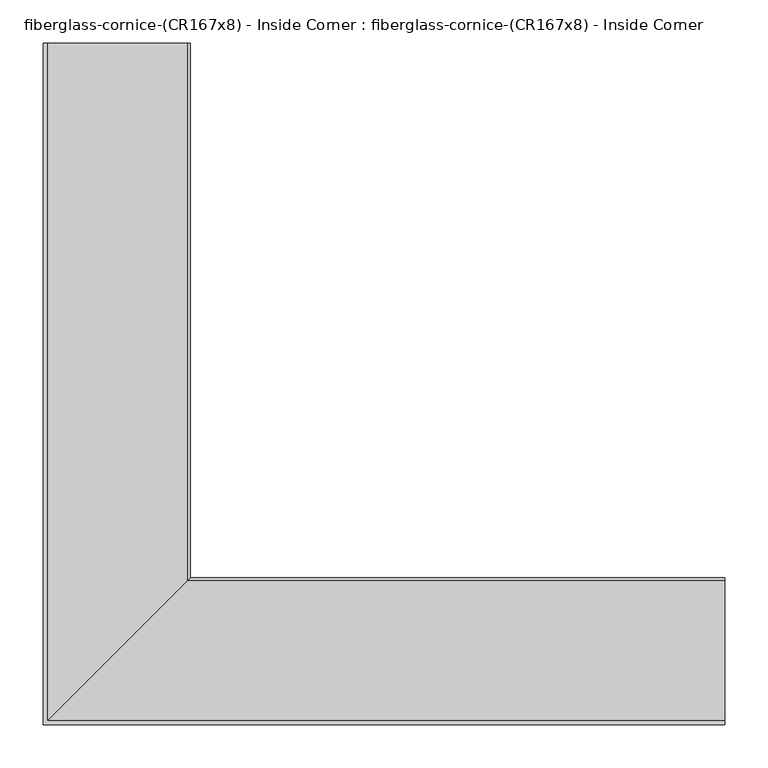
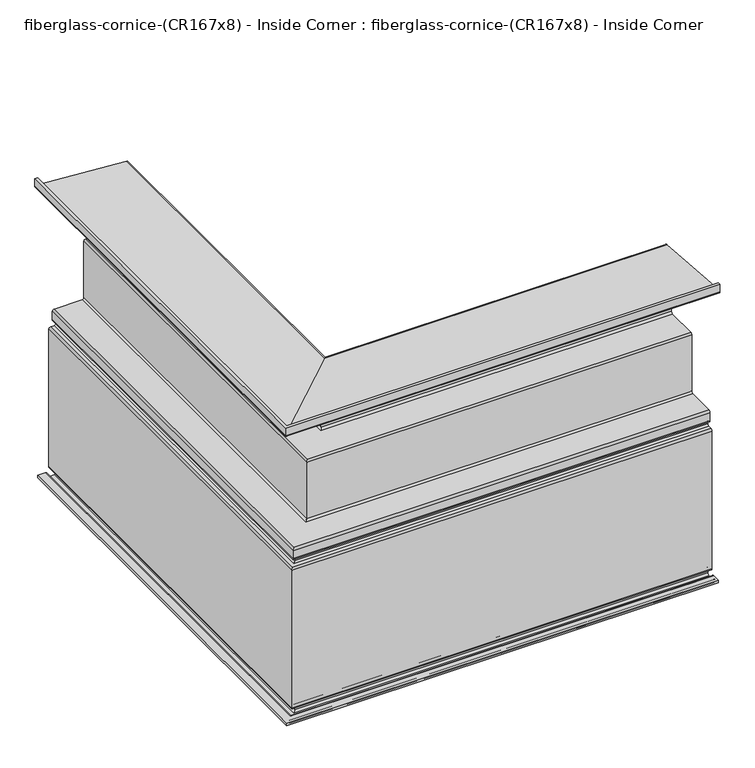
"""IFC4 building model written with IfcOpenShell, lengths in millimetres: furniture geometry, fiberglass-cornice-(CR167x8) - Inside Corner : fiberglass-cornice-(CR167x8) - Inside Corner."""

from ifc_helpers import new_model, si_unit, frame, origin, place, context, project, spatial, polyline, circle_curve, ellipse_curve, source, transform, mapped, element, save
from ifc_brep_helpers import plane_surface, cylinder_surface, revolved_surface, advanced_brep


def fiberglass_cornice_cr167x8_inside_corner_fiberglass_cornice_77613da7(model_context):
    return source(origin(), model_context, "Body", "AdvancedBrep", [
        advanced_brep(
        [(-227.0226584, 888.603125, 305.0420092), (-223.8374938, 888.603125, 301.8568447), (-223.8374938, 888.603125, 295.2749904), (-227.0124938, 888.603125, 292.0999904), (-233.3624938, 888.603125, 292.0999904), (-236.5374938, 888.603125, 288.9249904), (-236.5374938, 888.603125, 180.9749904), (-239.7124938, 888.603125, 177.7999904), (-296.8624938, 888.603125, 177.7999904), (-300.0374938, 888.603125, 174.6249904), (-300.0374938, 888.603125, 66.6749904), (-303.2124938, 888.603125, 63.4999904), (-354.0124938, 888.603125, 63.4999904), (-357.1874938, 888.603125, 60.3249904), (-357.1874938, 888.603125, 50.7999904), (-354.0124938, 888.603125, 50.7999904), (-350.8374938, 888.603125, 47.6249904), (-350.8374938, 888.603125, 34.9249904), (-354.0124938, 888.603125, 31.7499904), (-360.3624938, 888.603125, 31.7499904), (-363.5374938, 888.603125, 28.5749904), (-363.5374938, 888.603125, -225.6790096), (-360.3624938, 888.603125, -228.8540096), (-354.0124938, 888.603125, -228.8540096), (-350.8374938, 888.603125, -232.0290096), (-350.8374938, 888.603125, -250.8250096), (-354.0124938, 888.603125, -254.0000096), (-373.0624938, 888.603125, -254.0000096), (-376.2374938, 888.603125, -250.8250096), (-376.2374938, 888.603125, -247.6500096), (-379.4124938, 888.603125, -244.4750096), (-388.9374938, 888.603125, -244.4750096), (-388.9374938, 888.603125, -239.7125096), (-374.6499938, 888.603125, -239.7125096), (-371.4749938, 888.603125, -242.8875096), (-371.4749938, 888.603125, -246.0625096), (-368.2999938, 888.603125, -249.2375096), (-358.7749938, 888.603125, -249.2375096), (-355.5999938, 888.603125, -246.0625096), (-355.5999938, 888.603125, -236.5375096), (-358.5209938, 888.603125, -233.6165096), (-365.1249938, 888.603125, -233.6165096), (-368.2999938, 888.603125, -230.4415096), (-368.2999938, 888.603125, 33.3374904), (-365.1249938, 888.603125, 36.5124904), (-358.7749938, 888.603125, 36.5124904), (-355.5999938, 888.603125, 39.6874904), (-355.5999938, 888.603125, 42.8624904), (-358.7749938, 888.603125, 46.0374904), (-361.9499938, 888.603125, 49.2124904), (-361.9499938, 888.603125, 65.0874904), (-358.7749938, 888.603125, 68.2624904), (-307.9749938, 888.603125, 68.2624904), (-304.7999938, 888.603125, 71.4374904), (-304.7999938, 888.603125, 179.3874904), (-301.6249938, 888.603125, 182.5624904), (-244.4749938, 888.603125, 182.5624904), (-241.2999938, 888.603125, 185.7374904), (-241.2999938, 888.603125, 293.6874904), (-238.1249938, 888.603125, 296.8624904), (-228.5999938, 888.603125, 296.8624904), (-228.5999938, 888.603125, 300.3884709), (-390.7652894, 888.603125, 312.865723), (-393.6999938, 888.603125, 315.8004274), (-393.6999938, 888.603125, 330.1999904), (-388.9374938, 888.603125, 330.1999904), (-388.9374938, 888.603125, 317.4999904), (393.6999938, 267.8804605, 305.0420092), (393.6999938, 105.965625, 317.4999904), (393.6999938, 105.965625, 330.1999904), (393.6999938, 101.203125, 330.1999904), (393.6999938, 101.203125, 315.8004274), (393.6999938, 104.1378295, 312.865723), (393.6999938, 266.303125, 300.3884709), (393.6999938, 266.303125, 296.8624904), (393.6999938, 256.778125, 296.8624904), (393.6999938, 253.603125, 293.6874904), (393.6999938, 253.603125, 185.7374904), (393.6999938, 250.428125, 182.5624904), (393.6999938, 193.278125, 182.5624904), (393.6999938, 190.103125, 179.3874904), (393.6999938, 190.103125, 71.4374904), (393.6999938, 186.928125, 68.2624904), (393.6999938, 136.128125, 68.2624904), (393.6999938, 132.953125, 65.0874904), (393.6999938, 132.953125, 49.2124904), (393.6999938, 136.128125, 46.0374904), (393.6999938, 139.303125, 42.8624904), (393.6999938, 139.303125, 39.6874904), (393.6999938, 136.128125, 36.5124904), (393.6999938, 129.778125, 36.5124904), (393.6999938, 126.603125, 33.3374904), (393.6999938, 126.603125, -230.4415096), (393.6999938, 129.778125, -233.6165096), (393.6999938, 136.382125, -233.6165096), (393.6999938, 139.303125, -236.5375096), (393.6999938, 139.303125, -246.0625096), (393.6999938, 136.128125, -249.2375096), (393.6999938, 126.603125, -249.2375096), (393.6999938, 123.428125, -246.0625096), (393.6999938, 123.428125, -242.8875096), (393.6999938, 120.253125, -239.7125096), (393.6999938, 105.965625, -239.7125096), (393.6999938, 105.965625, -244.4750096), (393.6999938, 115.490625, -244.4750096), (393.6999938, 118.665625, -247.6500096), (393.6999938, 118.665625, -250.8250096), (393.6999938, 121.840625, -254.0000096), (393.6999938, 140.890625, -254.0000096), (393.6999938, 144.065625, -250.8250096), (393.6999938, 144.065625, -232.0290096), (393.6999938, 140.890625, -228.8540096), (393.6999938, 134.540625, -228.8540096), (393.6999938, 131.365625, -225.6790096), (393.6999938, 131.365625, 28.5749904), (393.6999938, 134.540625, 31.7499904), (393.6999938, 140.890625, 31.7499904), (393.6999938, 144.065625, 34.9249904), (393.6999938, 144.065625, 47.6249904), (393.6999938, 140.890625, 50.7999904), (393.6999938, 137.715625, 50.7999904), (393.6999938, 137.715625, 60.3249904), (393.6999938, 140.890625, 63.4999904), (393.6999938, 191.690625, 63.4999904), (393.6999938, 194.865625, 66.6749904), (393.6999938, 194.865625, 174.6249904), (393.6999938, 198.040625, 177.7999904), (393.6999938, 255.190625, 177.7999904), (393.6999938, 258.365625, 180.9749904), (393.6999938, 258.365625, 288.9249904), (393.6999938, 261.540625, 292.0999904), (393.6999938, 267.890625, 292.0999904), (393.6999938, 271.065625, 295.2749904), (393.6999938, 271.065625, 301.8568447), (-227.0226584, 267.8804605, 305.0420092), (-223.8374938, 271.065625, 301.8568447), (-223.8374938, 271.065625, 295.2749904), (-227.0124938, 267.890625, 292.0999904), (-233.3624938, 261.540625, 292.0999904), (-236.5374938, 258.365625, 288.9249904), (-236.5374938, 258.365625, 180.9749904), (-239.7124938, 255.190625, 177.7999904), (-296.8624938, 198.040625, 177.7999904), (-300.0374938, 194.865625, 174.6249904), (-300.0374938, 194.865625, 66.6749904), (-303.2124938, 191.690625, 63.4999904), (-354.0124938, 140.890625, 63.4999904), (-357.1874938, 137.715625, 60.3249904), (-357.1874938, 137.715625, 50.7999904), (-354.0124938, 140.890625, 50.7999904), (-350.8374938, 144.065625, 47.6249904), (-350.8374938, 144.065625, 34.9249904), (-354.0124938, 140.890625, 31.7499904), (-360.3624938, 134.540625, 31.7499904), (-363.5374938, 131.365625, 28.5749904), (-363.5374938, 131.365625, -225.6790096), (-360.3624938, 134.540625, -228.8540096), (-354.0124938, 140.890625, -228.8540096), (-350.8374938, 144.065625, -232.0290096), (-350.8374938, 144.065625, -250.8250096), (-354.0124938, 140.890625, -254.0000096), (-373.0624938, 121.840625, -254.0000096), (-376.2374938, 118.665625, -250.8250096), (-376.2374938, 118.665625, -247.6500096), (-379.4124938, 115.490625, -244.4750096), (-388.9374938, 105.965625, -244.4750096), (-388.9374938, 105.965625, -239.7125096), (-374.6499938, 120.253125, -239.7125096), (-371.4749938, 123.428125, -242.8875096), (-371.4749938, 123.428125, -246.0625096), (-368.2999938, 126.603125, -249.2375096), (-358.7749938, 136.128125, -249.2375096), (-355.5999938, 139.303125, -246.0625096), (-355.5999938, 139.303125, -236.5375096), (-358.5209938, 136.382125, -233.6165096), (-365.1249938, 129.778125, -233.6165096), (-368.2999938, 126.603125, -230.4415096), (-368.2999938, 126.603125, 33.3374904), (-365.1249938, 129.778125, 36.5124904), (-358.7749938, 136.128125, 36.5124904), (-355.5999938, 139.303125, 39.6874904), (-355.5999938, 139.303125, 42.8624904), (-358.7749938, 136.128125, 46.0374904), (-361.9499938, 132.953125, 49.2124904), (-361.9499938, 132.953125, 65.0874904), (-358.7749938, 136.128125, 68.2624904), (-307.9749938, 186.928125, 68.2624904), (-304.7999938, 190.103125, 71.4374904), (-304.7999938, 190.103125, 179.3874904), (-301.6249938, 193.278125, 182.5624904), (-244.4749938, 250.428125, 182.5624904), (-241.2999938, 253.603125, 185.7374904), (-241.2999938, 253.603125, 293.6874904), (-238.1249938, 256.778125, 296.8624904), (-228.5999938, 266.303125, 296.8624904), (-228.5999938, 266.303125, 300.3884709), (-390.7652894, 104.1378295, 312.865723), (-393.6999938, 101.203125, 315.8004274), (-393.6999938, 101.203125, 330.1999904), (-388.9374938, 105.965625, 330.1999904), (-388.9374938, 105.965625, 317.4999904)],
        [
            (0, 1, circle_curve(frame((-227.0226584, 888.603125, 301.8568447), z_axis=(0.0, 1.0, 0.0), x_axis=(1.0, 0.0, 0.0)), 3.1851645)),
            (1, 2),
            (2, 3, circle_curve(frame((-227.0124938, 888.603125, 295.2749904), z_axis=(0.0, 1.0, 0.0), x_axis=(1.0, 0.0, 0.0)), 3.175)),
            (3, 4),
            (4, 5, circle_curve(frame((-233.3624938, 888.603125, 288.9249904), z_axis=(0.0, -1.0, 0.0), x_axis=(1.0, 0.0, 0.0)), 3.175)),
            (5, 6),
            (6, 7, circle_curve(frame((-239.7124938, 888.603125, 180.9749904), z_axis=(0.0, 1.0, 0.0), x_axis=(1.0, 0.0, 0.0)), 3.175)),
            (7, 8),
            (8, 9, circle_curve(frame((-296.8624938, 888.603125, 174.6249904), z_axis=(0.0, -1.0, 0.0), x_axis=(1.0, 0.0, 0.0)), 3.175)),
            (9, 10),
            (10, 11, circle_curve(frame((-303.2124938, 888.603125, 66.6749904), z_axis=(0.0, 1.0, 0.0), x_axis=(1.0, 0.0, 0.0)), 3.175)),
            (11, 12),
            (12, 13, circle_curve(frame((-354.0124938, 888.603125, 60.3249904), z_axis=(0.0, -1.0, 0.0), x_axis=(1.0, 0.0, 0.0)), 3.175)),
            (13, 14),
            (14, 15),
            (15, 16, circle_curve(frame((-354.0124938, 888.603125, 47.6249904), z_axis=(0.0, 1.0, 0.0), x_axis=(1.0, 0.0, 0.0)), 3.175)),
            (16, 17),
            (17, 18, circle_curve(frame((-354.0124938, 888.603125, 34.9249904), z_axis=(0.0, 1.0, 0.0), x_axis=(1.0, 0.0, 0.0)), 3.175)),
            (18, 19),
            (19, 20, circle_curve(frame((-360.3624938, 888.603125, 28.5749904), z_axis=(0.0, -1.0, 0.0), x_axis=(1.0, 0.0, 0.0)), 3.175)),
            (20, 21),
            (21, 22, circle_curve(frame((-360.3624938, 888.603125, -225.6790096), z_axis=(0.0, -1.0, 0.0), x_axis=(1.0, 0.0, 0.0)), 3.175)),
            (22, 23),
            (23, 24, circle_curve(frame((-354.0124938, 888.603125, -232.0290096), z_axis=(0.0, 1.0, 0.0), x_axis=(1.0, 0.0, 0.0)), 3.175)),
            (24, 25),
            (25, 26, circle_curve(frame((-354.0124938, 888.603125, -250.8250096), z_axis=(0.0, 1.0, 0.0), x_axis=(1.0, 0.0, 0.0)), 3.175)),
            (26, 27),
            (27, 28, circle_curve(frame((-373.0624938, 888.603125, -250.8250096), z_axis=(0.0, 1.0, 0.0), x_axis=(1.0, 0.0, 0.0)), 3.175)),
            (28, 29),
            (29, 30, circle_curve(frame((-379.4124938, 888.603125, -247.6500096), z_axis=(0.0, -1.0, 0.0), x_axis=(1.0, 0.0, 0.0)), 3.175)),
            (30, 31),
            (31, 32),
            (32, 33),
            (33, 34, circle_curve(frame((-374.6499938, 888.603125, -242.8875096), z_axis=(0.0, 1.0, 0.0), x_axis=(1.0, 0.0, 0.0)), 3.175)),
            (34, 35),
            (35, 36, circle_curve(frame((-368.2999938, 888.603125, -246.0625096), z_axis=(0.0, -1.0, 0.0), x_axis=(1.0, 0.0, 0.0)), 3.175)),
            (36, 37),
            (37, 38, circle_curve(frame((-358.7749938, 888.603125, -246.0625096), z_axis=(0.0, -1.0, 0.0), x_axis=(1.0, 0.0, 0.0)), 3.175)),
            (38, 39),
            (39, 40, circle_curve(frame((-358.5209938, 888.603125, -236.5375096), z_axis=(0.0, -1.0, 0.0), x_axis=(1.0, 0.0, 0.0)), 2.921)),
            (40, 41),
            (41, 42, circle_curve(frame((-365.1249938, 888.603125, -230.4415096), z_axis=(0.0, 1.0, 0.0), x_axis=(1.0, 0.0, 0.0)), 3.175)),
            (42, 43),
            (43, 44, circle_curve(frame((-365.1249938, 888.603125, 33.3374904), z_axis=(0.0, 1.0, 0.0), x_axis=(1.0, 0.0, 0.0)), 3.175)),
            (44, 45),
            (45, 46, circle_curve(frame((-358.7749938, 888.603125, 39.6874904), z_axis=(0.0, -1.0, 0.0), x_axis=(1.0, 0.0, 0.0)), 3.175)),
            (46, 47),
            (47, 48, circle_curve(frame((-358.7749938, 888.603125, 42.8624904), z_axis=(0.0, -1.0, 0.0), x_axis=(1.0, 0.0, 0.0)), 3.175)),
            (48, 49, circle_curve(frame((-358.7749938, 888.603125, 49.2124904), z_axis=(0.0, 1.0, 0.0), x_axis=(1.0, 0.0, 0.0)), 3.175)),
            (49, 50),
            (50, 51, circle_curve(frame((-358.7749938, 888.603125, 65.0874904), z_axis=(0.0, 1.0, 0.0), x_axis=(1.0, 0.0, 0.0)), 3.175)),
            (51, 52),
            (52, 53, circle_curve(frame((-307.9749938, 888.603125, 71.4374904), z_axis=(0.0, -1.0, 0.0), x_axis=(1.0, 0.0, 0.0)), 3.175)),
            (53, 54),
            (54, 55, circle_curve(frame((-301.6249938, 888.603125, 179.3874904), z_axis=(0.0, 1.0, 0.0), x_axis=(1.0, 0.0, 0.0)), 3.175)),
            (55, 56),
            (56, 57, circle_curve(frame((-244.4749938, 888.603125, 185.7374904), z_axis=(0.0, -1.0, 0.0), x_axis=(1.0, 0.0, 0.0)), 3.175)),
            (57, 58),
            (58, 59, circle_curve(frame((-238.1249938, 888.603125, 293.6874904), z_axis=(0.0, 1.0, 0.0), x_axis=(1.0, 0.0, 0.0)), 3.175)),
            (59, 60),
            (60, 61),
            (61, 62),
            (62, 63, circle_curve(frame((-390.7652894, 888.603125, 315.8004274), z_axis=(0.0, 1.0, 0.0), x_axis=(1.0, 0.0, 0.0)), 2.9347045)),
            (63, 64),
            (64, 65),
            (65, 66),
            (66, 0),
            (67, 68),
            (68, 69),
            (69, 70),
            (70, 71),
            (71, 72, circle_curve(frame((393.6999938, 104.1378295, 315.8004274), z_axis=(1.0, 0.0, 0.0), x_axis=(0.0, 1.0, 0.0)), 2.9347045)),
            (72, 73),
            (73, 74),
            (74, 75),
            (75, 76, circle_curve(frame((393.6999938, 256.778125, 293.6874904), z_axis=(1.0, 0.0, 0.0), x_axis=(0.0, 1.0, 0.0)), 3.175)),
            (76, 77),
            (77, 78, circle_curve(frame((393.6999938, 250.428125, 185.7374904), z_axis=(-1.0, 0.0, 0.0), x_axis=(0.0, 1.0, 0.0)), 3.175)),
            (78, 79),
            (79, 80, circle_curve(frame((393.6999938, 193.278125, 179.3874904), z_axis=(1.0, 0.0, 0.0), x_axis=(0.0, 1.0, 0.0)), 3.175)),
            (80, 81),
            (81, 82, circle_curve(frame((393.6999938, 186.928125, 71.4374904), z_axis=(-1.0, 0.0, 0.0), x_axis=(0.0, 1.0, 0.0)), 3.175)),
            (82, 83),
            (83, 84, circle_curve(frame((393.6999938, 136.128125, 65.0874904), z_axis=(1.0, 0.0, 0.0), x_axis=(0.0, 1.0, 0.0)), 3.175)),
            (84, 85),
            (85, 86, circle_curve(frame((393.6999938, 136.128125, 49.2124904), z_axis=(1.0, 0.0, 0.0), x_axis=(0.0, 1.0, 0.0)), 3.175)),
            (86, 87, circle_curve(frame((393.6999938, 136.128125, 42.8624904), z_axis=(-1.0, 0.0, 0.0), x_axis=(0.0, 1.0, 0.0)), 3.175)),
            (87, 88),
            (88, 89, circle_curve(frame((393.6999938, 136.128125, 39.6874904), z_axis=(-1.0, 0.0, 0.0), x_axis=(0.0, 1.0, 0.0)), 3.175)),
            (89, 90),
            (90, 91, circle_curve(frame((393.6999938, 129.778125, 33.3374904), z_axis=(1.0, 0.0, 0.0), x_axis=(0.0, 1.0, 0.0)), 3.175)),
            (91, 92),
            (92, 93, circle_curve(frame((393.6999938, 129.778125, -230.4415096), z_axis=(1.0, 0.0, 0.0), x_axis=(0.0, 1.0, 0.0)), 3.175)),
            (93, 94),
            (94, 95, circle_curve(frame((393.6999938, 136.382125, -236.5375096), z_axis=(-1.0, 0.0, 0.0), x_axis=(0.0, 1.0, 0.0)), 2.921)),
            (95, 96),
            (96, 97, circle_curve(frame((393.6999938, 136.128125, -246.0625096), z_axis=(-1.0, 0.0, 0.0), x_axis=(0.0, 1.0, 0.0)), 3.175)),
            (97, 98),
            (98, 99, circle_curve(frame((393.6999938, 126.603125, -246.0625096), z_axis=(-1.0, 0.0, 0.0), x_axis=(0.0, 1.0, 0.0)), 3.175)),
            (99, 100),
            (100, 101, circle_curve(frame((393.6999938, 120.253125, -242.8875096), z_axis=(1.0, 0.0, 0.0), x_axis=(0.0, 1.0, 0.0)), 3.175)),
            (101, 102),
            (102, 103),
            (103, 104),
            (104, 105, circle_curve(frame((393.6999938, 115.490625, -247.6500096), z_axis=(-1.0, 0.0, 0.0), x_axis=(0.0, 1.0, 0.0)), 3.175)),
            (105, 106),
            (106, 107, circle_curve(frame((393.6999938, 121.840625, -250.8250096), z_axis=(1.0, 0.0, 0.0), x_axis=(0.0, 1.0, 0.0)), 3.175)),
            (107, 108),
            (108, 109, circle_curve(frame((393.6999938, 140.890625, -250.8250096), z_axis=(1.0, 0.0, 0.0), x_axis=(0.0, 1.0, 0.0)), 3.175)),
            (109, 110),
            (110, 111, circle_curve(frame((393.6999938, 140.890625, -232.0290096), z_axis=(1.0, 0.0, 0.0), x_axis=(0.0, 1.0, 0.0)), 3.175)),
            (111, 112),
            (112, 113, circle_curve(frame((393.6999938, 134.540625, -225.6790096), z_axis=(-1.0, 0.0, 0.0), x_axis=(0.0, 1.0, 0.0)), 3.175)),
            (113, 114),
            (114, 115, circle_curve(frame((393.6999938, 134.540625, 28.5749904), z_axis=(-1.0, 0.0, 0.0), x_axis=(0.0, 1.0, 0.0)), 3.175)),
            (115, 116),
            (116, 117, circle_curve(frame((393.6999938, 140.890625, 34.9249904), z_axis=(1.0, 0.0, 0.0), x_axis=(0.0, 1.0, 0.0)), 3.175)),
            (117, 118),
            (118, 119, circle_curve(frame((393.6999938, 140.890625, 47.6249904), z_axis=(1.0, 0.0, 0.0), x_axis=(0.0, 1.0, 0.0)), 3.175)),
            (119, 120),
            (120, 121),
            (121, 122, circle_curve(frame((393.6999938, 140.890625, 60.3249904), z_axis=(-1.0, 0.0, 0.0), x_axis=(0.0, 1.0, 0.0)), 3.175)),
            (122, 123),
            (123, 124, circle_curve(frame((393.6999938, 191.690625, 66.6749904), z_axis=(1.0, 0.0, 0.0), x_axis=(0.0, 1.0, 0.0)), 3.175)),
            (124, 125),
            (125, 126, circle_curve(frame((393.6999938, 198.040625, 174.6249904), z_axis=(-1.0, 0.0, 0.0), x_axis=(0.0, 1.0, 0.0)), 3.175)),
            (126, 127),
            (127, 128, circle_curve(frame((393.6999938, 255.190625, 180.9749904), z_axis=(1.0, 0.0, 0.0), x_axis=(0.0, 1.0, 0.0)), 3.175)),
            (128, 129),
            (129, 130, circle_curve(frame((393.6999938, 261.540625, 288.9249904), z_axis=(-1.0, 0.0, 0.0), x_axis=(0.0, 1.0, 0.0)), 3.175)),
            (130, 131),
            (131, 132, circle_curve(frame((393.6999938, 267.890625, 295.2749904), z_axis=(1.0, 0.0, 0.0), x_axis=(0.0, 1.0, 0.0)), 3.175)),
            (132, 133),
            (133, 67, circle_curve(frame((393.6999938, 267.8804605, 301.8568447), z_axis=(1.0, 0.0, 0.0), x_axis=(0.0, 1.0, 0.0)), 3.1851645)),
            (0, 134),
            (134, 135, ellipse_curve(frame((-227.0226584, 267.8804605, 301.8568447), z_axis=(-0.7071067811865475, 0.7071067811865475, 0.0), x_axis=(0.7071067811865474, 0.7071067811865476, 0.0)), 4.5045028, 3.1851645)),
            (135, 1),
            (135, 136),
            (136, 2),
            (136, 137, ellipse_curve(frame((-227.0124938, 267.890625, 295.2749904), z_axis=(-0.7071067811865475, 0.7071067811865475, 0.0), x_axis=(0.7071067811865474, 0.7071067811865476, 0.0)), 4.4901281, 3.175)),
            (137, 3),
            (137, 131),
            (130, 138),
            (138, 4),
            (138, 139, ellipse_curve(frame((-233.3624938, 261.540625, 288.9249904), z_axis=(0.7071067811865475, -0.7071067811865475, 0.0), x_axis=(-0.7071067811865474, -0.7071067811865476, 0.0)), 4.4901281, 3.175)),
            (139, 5),
            (139, 140),
            (140, 6),
            (140, 141, ellipse_curve(frame((-239.7124938, 255.190625, 180.9749904), z_axis=(-0.7071067811865475, 0.7071067811865475, 0.0), x_axis=(0.7071067811865474, 0.7071067811865476, 0.0)), 4.4901281, 3.175)),
            (141, 7),
            (141, 127),
            (126, 142),
            (142, 8),
            (142, 143, ellipse_curve(frame((-296.8624938, 198.040625, 174.6249904), z_axis=(0.7071067811865475, -0.7071067811865475, 0.0), x_axis=(-0.7071067811865474, -0.7071067811865476, 0.0)), 4.4901281, 3.175)),
            (143, 9),
            (143, 144),
            (144, 10),
            (144, 145, ellipse_curve(frame((-303.2124938, 191.690625, 66.6749904), z_axis=(-0.7071067811865475, 0.7071067811865475, 0.0), x_axis=(0.7071067811865474, 0.7071067811865476, 0.0)), 4.4901281, 3.175)),
            (145, 11),
            (145, 123),
            (122, 146),
            (146, 12),
            (146, 147, ellipse_curve(frame((-354.0124938, 140.890625, 60.3249904), z_axis=(0.7071067811865475, -0.7071067811865475, 0.0), x_axis=(-0.7071067811865474, -0.7071067811865476, 0.0)), 4.4901281, 3.175)),
            (147, 13),
            (147, 148),
            (148, 14),
            (148, 120),
            (119, 149),
            (149, 15),
            (149, 150, ellipse_curve(frame((-354.0124938, 140.890625, 47.6249904), z_axis=(-0.7071067811865475, 0.7071067811865475, 0.0), x_axis=(0.7071067811865474, 0.7071067811865476, 0.0)), 4.4901281, 3.175)),
            (150, 16),
            (150, 151),
            (151, 17),
            (151, 152, ellipse_curve(frame((-354.0124938, 140.890625, 34.9249904), z_axis=(-0.7071067811865475, 0.7071067811865475, 0.0), x_axis=(0.7071067811865474, 0.7071067811865476, 0.0)), 4.4901281, 3.175)),
            (152, 18),
            (152, 116),
            (115, 153),
            (153, 19),
            (153, 154, ellipse_curve(frame((-360.3624938, 134.540625, 28.5749904), z_axis=(0.7071067811865475, -0.7071067811865475, 0.0), x_axis=(-0.7071067811865474, -0.7071067811865476, 0.0)), 4.4901281, 3.175)),
            (154, 20),
            (154, 155),
            (155, 21),
            (155, 156, ellipse_curve(frame((-360.3624938, 134.540625, -225.6790096), z_axis=(0.7071067811865475, -0.7071067811865475, 0.0), x_axis=(-0.7071067811865474, -0.7071067811865476, 0.0)), 4.4901281, 3.175)),
            (156, 22),
            (156, 112),
            (111, 157),
            (157, 23),
            (157, 158, ellipse_curve(frame((-354.0124938, 140.890625, -232.0290096), z_axis=(-0.7071067811865475, 0.7071067811865475, 0.0), x_axis=(0.7071067811865474, 0.7071067811865476, 0.0)), 4.4901281, 3.175)),
            (158, 24),
            (158, 159),
            (159, 25),
            (159, 160, ellipse_curve(frame((-354.0124938, 140.890625, -250.8250096), z_axis=(-0.7071067811865475, 0.7071067811865475, 0.0), x_axis=(0.7071067811865474, 0.7071067811865476, 0.0)), 4.4901281, 3.175)),
            (160, 26),
            (160, 108),
            (107, 161),
            (161, 27),
            (161, 162, ellipse_curve(frame((-373.0624938, 121.840625, -250.8250096), z_axis=(-0.7071067811865475, 0.7071067811865475, 0.0), x_axis=(0.7071067811865474, 0.7071067811865476, 0.0)), 4.4901281, 3.175)),
            (162, 28),
            (162, 163),
            (163, 29),
            (163, 164, ellipse_curve(frame((-379.4124938, 115.490625, -247.6500096), z_axis=(0.7071067811865475, -0.7071067811865475, 0.0), x_axis=(-0.7071067811865474, -0.7071067811865476, 0.0)), 4.4901281, 3.175)),
            (164, 30),
            (164, 104),
            (103, 165),
            (165, 31),
            (165, 166),
            (166, 32),
            (166, 102),
            (101, 167),
            (167, 33),
            (167, 168, ellipse_curve(frame((-374.6499938, 120.253125, -242.8875096), z_axis=(-0.7071067811865475, 0.7071067811865475, 0.0), x_axis=(0.7071067811865474, 0.7071067811865476, 0.0)), 4.4901281, 3.175)),
            (168, 34),
            (168, 169),
            (169, 35),
            (169, 170, ellipse_curve(frame((-368.2999938, 126.603125, -246.0625096), z_axis=(0.7071067811865475, -0.7071067811865475, 0.0), x_axis=(-0.7071067811865474, -0.7071067811865476, 0.0)), 4.4901281, 3.175)),
            (170, 36),
            (170, 98),
            (97, 171),
            (171, 37),
            (171, 172, ellipse_curve(frame((-358.7749938, 136.128125, -246.0625096), z_axis=(0.7071067811865475, -0.7071067811865475, 0.0), x_axis=(-0.7071067811865474, -0.7071067811865476, 0.0)), 4.4901281, 3.175)),
            (172, 38),
            (172, 173),
            (173, 39),
            (173, 174, ellipse_curve(frame((-358.5209938, 136.382125, -236.5375096), z_axis=(0.7071067811865475, -0.7071067811865475, 0.0), x_axis=(-0.7071067811865474, -0.7071067811865476, 0.0)), 4.1309178, 2.921)),
            (174, 40),
            (174, 94),
            (93, 175),
            (175, 41),
            (175, 176, ellipse_curve(frame((-365.1249938, 129.778125, -230.4415096), z_axis=(-0.7071067811865475, 0.7071067811865475, 0.0), x_axis=(0.7071067811865474, 0.7071067811865476, 0.0)), 4.4901281, 3.175)),
            (176, 42),
            (176, 177),
            (177, 43),
            (177, 178, ellipse_curve(frame((-365.1249938, 129.778125, 33.3374904), z_axis=(-0.7071067811865475, 0.7071067811865475, 0.0), x_axis=(0.7071067811865474, 0.7071067811865476, 0.0)), 4.4901281, 3.175)),
            (178, 44),
            (178, 90),
            (89, 179),
            (179, 45),
            (179, 180, ellipse_curve(frame((-358.7749938, 136.128125, 39.6874904), z_axis=(0.7071067811865475, -0.7071067811865475, 0.0), x_axis=(-0.7071067811865474, -0.7071067811865476, 0.0)), 4.4901281, 3.175)),
            (180, 46),
            (180, 181),
            (181, 47),
            (181, 182, ellipse_curve(frame((-358.7749938, 136.128125, 42.8624904), z_axis=(0.7071067811865475, -0.7071067811865475, 0.0), x_axis=(-0.7071067811865474, -0.7071067811865476, 0.0)), 4.4901281, 3.175)),
            (182, 48),
            (182, 183, ellipse_curve(frame((-358.7749938, 136.128125, 49.2124904), z_axis=(-0.7071067811865475, 0.7071067811865475, 0.0), x_axis=(0.7071067811865474, 0.7071067811865476, 0.0)), 4.4901281, 3.175)),
            (183, 49),
            (183, 184),
            (184, 50),
            (184, 185, ellipse_curve(frame((-358.7749938, 136.128125, 65.0874904), z_axis=(-0.7071067811865475, 0.7071067811865475, 0.0), x_axis=(0.7071067811865474, 0.7071067811865476, 0.0)), 4.4901281, 3.175)),
            (185, 51),
            (185, 83),
            (82, 186),
            (186, 52),
            (186, 187, ellipse_curve(frame((-307.9749938, 186.928125, 71.4374904), z_axis=(0.7071067811865475, -0.7071067811865475, 0.0), x_axis=(-0.7071067811865474, -0.7071067811865476, 0.0)), 4.4901281, 3.175)),
            (187, 53),
            (187, 188),
            (188, 54),
            (188, 189, ellipse_curve(frame((-301.6249938, 193.278125, 179.3874904), z_axis=(-0.7071067811865475, 0.7071067811865475, 0.0), x_axis=(0.7071067811865474, 0.7071067811865476, 0.0)), 4.4901281, 3.175)),
            (189, 55),
            (189, 79),
            (78, 190),
            (190, 56),
            (190, 191, ellipse_curve(frame((-244.4749938, 250.428125, 185.7374904), z_axis=(0.7071067811865475, -0.7071067811865475, 0.0), x_axis=(-0.7071067811865474, -0.7071067811865476, 0.0)), 4.4901281, 3.175)),
            (191, 57),
            (191, 192),
            (192, 58),
            (192, 193, ellipse_curve(frame((-238.1249938, 256.778125, 293.6874904), z_axis=(-0.7071067811865475, 0.7071067811865475, 0.0), x_axis=(0.7071067811865474, 0.7071067811865476, 0.0)), 4.4901281, 3.175)),
            (193, 59),
            (193, 75),
            (74, 194),
            (194, 60),
            (194, 195),
            (195, 61),
            (195, 196),
            (196, 62),
            (196, 197, ellipse_curve(frame((-390.7652894, 104.1378295, 315.8004274), z_axis=(-0.7071067811865475, 0.7071067811865475, 0.0), x_axis=(0.7071067811865474, 0.7071067811865476, 0.0)), 4.1502989, 2.9347045)),
            (197, 63),
            (197, 198),
            (198, 64),
            (198, 70),
            (69, 199),
            (199, 65),
            (199, 200),
            (200, 66),
            (200, 134),
            (134, 67),
            (133, 135),
            (136, 132),
            (129, 139),
            (140, 128),
            (125, 143),
            (144, 124),
            (147, 121),
            (118, 150),
            (151, 117),
            (114, 154),
            (155, 113),
            (110, 158),
            (159, 109),
            (106, 162),
            (163, 105),
            (100, 168),
            (169, 99),
            (96, 172),
            (173, 95),
            (92, 176),
            (177, 91),
            (88, 180),
            (87, 181),
            (86, 182),
            (85, 183),
            (184, 84),
            (81, 187),
            (188, 80),
            (77, 191),
            (192, 76),
            (73, 195),
            (72, 196),
            (197, 71),
            (68, 200),
        ],
        [
            plane_surface(frame((-393.6999938, 888.603125, 330.1999904), z_axis=(0.0, 1.0, 0.0), x_axis=(0.0, 0.0, 1.0))),
            plane_surface(frame((393.6999938, 101.203125, 330.1999904), z_axis=(1.0, 0.0, 0.0), x_axis=(0.0, 0.0, 1.0))),
            cylinder_surface(frame((-227.0226584, 888.603125, 301.8568447), z_axis=(0.0, 1.0, 0.0), x_axis=(1.0, 0.0, 0.0)), 3.1851645),
            plane_surface(frame((-223.8374938, 888.603125, 301.8568447), z_axis=(1.0, 0.0, 0.0), x_axis=(0.0, -1.0, 0.0))),
            cylinder_surface(frame((-227.0124938, 888.603125, 295.2749904), z_axis=(0.0, 1.0, 0.0), x_axis=(1.0, 0.0, 0.0)), 3.175),
            plane_surface(frame((-227.0124938, 888.603125, 292.0999904), z_axis=(0.0, 0.0, -1.0), x_axis=(0.0, -1.0, 0.0))),
            revolved_surface(polyline([(-230.1874938, 258.36562497209366, 288.9249904), (-230.1874938, 888.603125, 288.9249904)]), (-233.3624938, 888.603125, 288.9249904), (0.0, -1.0, 0.0)),
            plane_surface(frame((-236.5374938, 888.603125, 288.9249904), z_axis=(1.0, 0.0, 0.0), x_axis=(0.0, -1.0, 0.0))),
            cylinder_surface(frame((-239.7124938, 888.603125, 180.9749904), z_axis=(0.0, 1.0, 0.0), x_axis=(1.0, 0.0, 0.0)), 3.175),
            plane_surface(frame((-239.7124938, 888.603125, 177.7999904), z_axis=(0.0, 0.0, -1.0), x_axis=(0.0, -1.0, 0.0))),
            revolved_surface(polyline([(-293.68749379999997, 194.86562497209366, 174.6249904), (-293.68749379999997, 888.603125, 174.6249904)]), (-296.8624938, 888.603125, 174.6249904), (0.0, -1.0, 0.0)),
            plane_surface(frame((-300.0374938, 888.603125, 174.6249904), z_axis=(1.0, 0.0, 0.0), x_axis=(0.0, -1.0, 0.0))),
            cylinder_surface(frame((-303.2124938, 888.603125, 66.6749904), z_axis=(0.0, 1.0, 0.0), x_axis=(1.0, 0.0, 0.0)), 3.175),
            plane_surface(frame((-303.2124938, 888.603125, 63.4999904), z_axis=(0.0, 0.0, -1.0), x_axis=(0.0, -1.0, 0.0))),
            revolved_surface(polyline([(-350.8374938, 137.71562497209368, 60.3249904), (-350.8374938, 888.603125, 60.3249904)]), (-354.0124938, 888.603125, 60.3249904), (0.0, -1.0, 0.0)),
            plane_surface(frame((-357.1874938, 888.603125, 60.3249904), z_axis=(1.0, 0.0, 0.0), x_axis=(0.0, -1.0, 0.0))),
            plane_surface(frame((-357.1874938, 888.603125, 50.7999904), z_axis=(0.0, 0.0, 1.0), x_axis=(0.0, -1.0, 0.0))),
            cylinder_surface(frame((-354.0124938, 888.603125, 47.6249904), z_axis=(0.0, 1.0, 0.0), x_axis=(1.0, 0.0, 0.0)), 3.175),
            plane_surface(frame((-350.8374938, 888.603125, 47.6249904), z_axis=(1.0, 0.0, 0.0), x_axis=(0.0, -1.0, 0.0))),
            cylinder_surface(frame((-354.0124938, 888.603125, 34.9249904), z_axis=(0.0, 1.0, 0.0), x_axis=(1.0, 0.0, 0.0)), 3.175),
            plane_surface(frame((-354.0124938, 888.603125, 31.7499904), z_axis=(0.0, 0.0, -1.0), x_axis=(0.0, -1.0, 0.0))),
            revolved_surface(polyline([(-357.18749379999997, 131.36562497209366, 28.5749904), (-357.18749379999997, 888.603125, 28.5749904)]), (-360.3624938, 888.603125, 28.5749904), (0.0, -1.0, 0.0)),
            plane_surface(frame((-363.5374938, 888.603125, 28.5749904), z_axis=(1.0, 0.0, 0.0), x_axis=(0.0, -1.0, 0.0))),
            revolved_surface(polyline([(-357.18749379999997, 131.36562497209366, -225.6790096), (-357.18749379999997, 888.603125, -225.6790096)]), (-360.3624938, 888.603125, -225.6790096), (0.0, -1.0, 0.0)),
            plane_surface(frame((-360.3624938, 888.603125, -228.8540096), z_axis=(0.0, 0.0, 1.0), x_axis=(0.0, -1.0, 0.0))),
            cylinder_surface(frame((-354.0124938, 888.603125, -232.0290096), z_axis=(0.0, 1.0, 0.0), x_axis=(1.0, 0.0, 0.0)), 3.175),
            plane_surface(frame((-350.8374938, 888.603125, -232.0290096), z_axis=(1.0, 0.0, 0.0), x_axis=(0.0, -1.0, 0.0))),
            cylinder_surface(frame((-354.0124938, 888.603125, -250.8250096), z_axis=(0.0, 1.0, 0.0), x_axis=(1.0, 0.0, 0.0)), 3.175),
            plane_surface(frame((-354.0124938, 888.603125, -254.0000096), z_axis=(0.0, 0.0, -1.0), x_axis=(0.0, -1.0, 0.0))),
            cylinder_surface(frame((-373.0624938, 888.603125, -250.8250096), z_axis=(0.0, 1.0, 0.0), x_axis=(1.0, 0.0, 0.0)), 3.175),
            plane_surface(frame((-376.2374938, 888.603125, -250.8250096), z_axis=(-1.0, 0.0, 0.0), x_axis=(0.0, -1.0, 0.0))),
            revolved_surface(polyline([(-376.2374938, 112.3156249720937, -247.6500096), (-376.2374938, 888.603125, -247.6500096)]), (-379.4124938, 888.603125, -247.6500096), (0.0, -1.0, 0.0)),
            plane_surface(frame((-379.4124938, 888.603125, -244.4750096), z_axis=(0.0, 0.0, -1.0), x_axis=(0.0, -1.0, 0.0))),
            plane_surface(frame((-388.9374938, 888.603125, -244.4750096), z_axis=(-1.0, 0.0, 0.0), x_axis=(0.0, -1.0, 0.0))),
            plane_surface(frame((-388.9374938, 888.603125, -239.7125096), z_axis=(0.0, 0.0, 1.0), x_axis=(0.0, -1.0, 0.0))),
            cylinder_surface(frame((-374.6499938, 888.603125, -242.8875096), z_axis=(0.0, 1.0, 0.0), x_axis=(1.0, 0.0, 0.0)), 3.175),
            plane_surface(frame((-371.4749938, 888.603125, -242.8875096), z_axis=(1.0, 0.0, 0.0), x_axis=(0.0, -1.0, 0.0))),
            revolved_surface(polyline([(-365.12499379999997, 123.42812497209366, -246.0625096), (-365.12499379999997, 888.603125, -246.0625096)]), (-368.2999938, 888.603125, -246.0625096), (0.0, -1.0, 0.0)),
            plane_surface(frame((-368.2999938, 888.603125, -249.2375096), z_axis=(0.0, 0.0, 1.0), x_axis=(0.0, -1.0, 0.0))),
            revolved_surface(polyline([(-355.5999938, 132.95312497209375, -246.0625096), (-355.5999938, 888.603125, -246.0625096)]), (-358.7749938, 888.603125, -246.0625096), (0.0, -1.0, 0.0)),
            plane_surface(frame((-355.5999938, 888.603125, -246.0625096), z_axis=(-1.0, 0.0, 0.0), x_axis=(0.0, -1.0, 0.0))),
            revolved_surface(polyline([(-355.5999938, 133.46112501109576, -236.5375096), (-355.5999938, 888.603125, -236.5375096)]), (-358.5209938, 888.603125, -236.5375096), (0.0, -1.0, 0.0)),
            plane_surface(frame((-358.5209938, 888.603125, -233.6165096), z_axis=(0.0, 0.0, -1.0), x_axis=(0.0, -1.0, 0.0))),
            cylinder_surface(frame((-365.1249938, 888.603125, -230.4415096), z_axis=(0.0, 1.0, 0.0), x_axis=(1.0, 0.0, 0.0)), 3.175),
            plane_surface(frame((-368.2999938, 888.603125, -230.4415096), z_axis=(-1.0, 0.0, 0.0), x_axis=(0.0, -1.0, 0.0))),
            cylinder_surface(frame((-365.1249938, 888.603125, 33.3374904), z_axis=(0.0, 1.0, 0.0), x_axis=(1.0, 0.0, 0.0)), 3.175),
            plane_surface(frame((-365.1249938, 888.603125, 36.5124904), z_axis=(0.0, 0.0, 1.0), x_axis=(0.0, -1.0, 0.0))),
            revolved_surface(polyline([(-355.5999938, 132.95312497209375, 39.6874904), (-355.5999938, 888.603125, 39.6874904)]), (-358.7749938, 888.603125, 39.6874904), (0.0, -1.0, 0.0)),
            plane_surface(frame((-355.5999938, 888.603125, 39.6874904), z_axis=(-1.0, 0.0, 0.0), x_axis=(0.0, -1.0, 0.0))),
            revolved_surface(polyline([(-355.5999938, 132.95312497209375, 42.8624904), (-355.5999938, 888.603125, 42.8624904)]), (-358.7749938, 888.603125, 42.8624904), (0.0, -1.0, 0.0)),
            cylinder_surface(frame((-358.7749938, 888.603125, 49.2124904), z_axis=(0.0, 1.0, 0.0), x_axis=(1.0, 0.0, 0.0)), 3.175),
            plane_surface(frame((-361.9499938, 888.603125, 49.2124904), z_axis=(-1.0, 0.0, 0.0), x_axis=(0.0, -1.0, 0.0))),
            cylinder_surface(frame((-358.7749938, 888.603125, 65.0874904), z_axis=(0.0, 1.0, 0.0), x_axis=(1.0, 0.0, 0.0)), 3.175),
            plane_surface(frame((-358.7749938, 888.603125, 68.2624904), z_axis=(0.0, 0.0, 1.0), x_axis=(0.0, -1.0, 0.0))),
            revolved_surface(polyline([(-304.7999938, 183.7531249720937, 71.4374904), (-304.7999938, 888.603125, 71.4374904)]), (-307.9749938, 888.603125, 71.4374904), (0.0, -1.0, 0.0)),
            plane_surface(frame((-304.7999938, 888.603125, 71.4374904), z_axis=(-1.0, 0.0, 0.0), x_axis=(0.0, -1.0, 0.0))),
            cylinder_surface(frame((-301.6249938, 888.603125, 179.3874904), z_axis=(0.0, 1.0, 0.0), x_axis=(1.0, 0.0, 0.0)), 3.175),
            plane_surface(frame((-301.6249938, 888.603125, 182.5624904), z_axis=(0.0, 0.0, 1.0), x_axis=(0.0, -1.0, 0.0))),
            revolved_surface(polyline([(-241.29999379999998, 247.2531249720937, 185.7374904), (-241.29999379999998, 888.603125, 185.7374904)]), (-244.4749938, 888.603125, 185.7374904), (0.0, -1.0, 0.0)),
            plane_surface(frame((-241.2999938, 888.603125, 185.7374904), z_axis=(-1.0, 0.0, 0.0), x_axis=(0.0, -1.0, 0.0))),
            cylinder_surface(frame((-238.1249938, 888.603125, 293.6874904), z_axis=(0.0, 1.0, 0.0), x_axis=(1.0, 0.0, 0.0)), 3.175),
            plane_surface(frame((-238.1249938, 888.603125, 296.8624904), z_axis=(0.0, 0.0, 1.0), x_axis=(0.0, -1.0, 0.0))),
            plane_surface(frame((-228.5999938, 888.603125, 296.8624904), z_axis=(-1.0, 0.0, 0.0), x_axis=(0.0, -1.0, 0.0))),
            plane_surface(frame((-228.5999938, 888.603125, 300.3884709), z_axis=(-0.07671482651357646, 0.0, -0.9970530755145345), x_axis=(0.0, -1.0, 0.0))),
            cylinder_surface(frame((-390.7652894, 888.603125, 315.8004274), z_axis=(0.0, 1.0, 0.0), x_axis=(1.0, 0.0, 0.0)), 2.9347045),
            plane_surface(frame((-393.6999938, 888.603125, 315.8004274), z_axis=(-1.0, 0.0, 0.0), x_axis=(0.0, -1.0, 0.0))),
            plane_surface(frame((-393.6999938, 888.603125, 330.1999904), z_axis=(0.0, 0.0, 1.0), x_axis=(0.0, -1.0, 0.0))),
            plane_surface(frame((-388.9374938, 888.603125, 330.1999904), z_axis=(1.0, 0.0, 0.0), x_axis=(0.0, -1.0, 0.0))),
            plane_surface(frame((-388.9374938, 888.603125, 317.4999904), z_axis=(0.07671482651354666, 0.0, 0.9970530755145367), x_axis=(0.0, -1.0, 0.0))),
            cylinder_surface(frame((-393.6999938, 267.8804605, 301.8568447), z_axis=(-1.0, 0.0, 0.0), x_axis=(0.0, 1.0, 0.0)), 3.1851645),
            cylinder_surface(frame((-393.6999938, 267.890625, 295.2749904), z_axis=(-1.0, 0.0, 0.0), x_axis=(0.0, 1.0, 0.0)), 3.175),
            revolved_surface(polyline([(393.6999938, 264.715625, 288.9249904), (-236.53749382790627, 264.715625, 288.9249904)]), (-393.6999938, 261.540625, 288.9249904), (1.0, 0.0, 0.0)),
            cylinder_surface(frame((-393.6999938, 255.190625, 180.9749904), z_axis=(-1.0, 0.0, 0.0), x_axis=(0.0, 1.0, 0.0)), 3.175),
            revolved_surface(polyline([(393.6999938, 201.21562500000002, 174.6249904), (-300.03749382790625, 201.21562500000002, 174.6249904)]), (-393.6999938, 198.040625, 174.6249904), (1.0, 0.0, 0.0)),
            cylinder_surface(frame((-393.6999938, 191.690625, 66.6749904), z_axis=(-1.0, 0.0, 0.0), x_axis=(0.0, 1.0, 0.0)), 3.175),
            plane_surface(frame((-357.1874938, 137.715625, 60.3249904), z_axis=(0.0, 1.0, 0.0), x_axis=(1.0, 0.0, 0.0))),
            cylinder_surface(frame((-393.6999938, 140.890625, 47.6249904), z_axis=(-1.0, 0.0, 0.0), x_axis=(0.0, 1.0, 0.0)), 3.175),
            cylinder_surface(frame((-393.6999938, 140.890625, 34.9249904), z_axis=(-1.0, 0.0, 0.0), x_axis=(0.0, 1.0, 0.0)), 3.175),
            revolved_surface(polyline([(393.6999938, 137.71562500000002, 28.5749904), (-363.53749382790625, 137.71562500000002, 28.5749904)]), (-393.6999938, 134.540625, 28.5749904), (1.0, 0.0, 0.0)),
            revolved_surface(polyline([(393.6999938, 137.71562500000002, -225.6790096), (-363.53749382790625, 137.71562500000002, -225.6790096)]), (-393.6999938, 134.540625, -225.6790096), (1.0, 0.0, 0.0)),
            cylinder_surface(frame((-393.6999938, 140.890625, -232.0290096), z_axis=(-1.0, 0.0, 0.0), x_axis=(0.0, 1.0, 0.0)), 3.175),
            cylinder_surface(frame((-393.6999938, 140.890625, -250.8250096), z_axis=(-1.0, 0.0, 0.0), x_axis=(0.0, 1.0, 0.0)), 3.175),
            cylinder_surface(frame((-393.6999938, 121.840625, -250.8250096), z_axis=(-1.0, 0.0, 0.0), x_axis=(0.0, 1.0, 0.0)), 3.175),
            revolved_surface(polyline([(393.6999938, 118.66562499999999, -247.6500096), (-382.58749382790626, 118.66562499999999, -247.6500096)]), (-393.6999938, 115.490625, -247.6500096), (1.0, 0.0, 0.0)),
            plane_surface(frame((-388.9374938, 105.965625, -244.4750096), z_axis=(0.0, -1.0, 0.0), x_axis=(1.0, 0.0, 0.0))),
            cylinder_surface(frame((-393.6999938, 120.253125, -242.8875096), z_axis=(-1.0, 0.0, 0.0), x_axis=(0.0, 1.0, 0.0)), 3.175),
            revolved_surface(polyline([(393.6999938, 129.77812500000002, -246.0625096), (-371.47499382790625, 129.77812500000002, -246.0625096)]), (-393.6999938, 126.603125, -246.0625096), (1.0, 0.0, 0.0)),
            revolved_surface(polyline([(393.6999938, 139.30312500000002, -246.0625096), (-361.94999382790627, 139.30312500000002, -246.0625096)]), (-393.6999938, 136.128125, -246.0625096), (1.0, 0.0, 0.0)),
            revolved_surface(polyline([(393.6999938, 139.303125, -236.5375096), (-361.4419937889042, 139.303125, -236.5375096)]), (-393.6999938, 136.382125, -236.5375096), (1.0, 0.0, 0.0)),
            cylinder_surface(frame((-393.6999938, 129.778125, -230.4415096), z_axis=(-1.0, 0.0, 0.0), x_axis=(0.0, 1.0, 0.0)), 3.175),
            cylinder_surface(frame((-393.6999938, 129.778125, 33.3374904), z_axis=(-1.0, 0.0, 0.0), x_axis=(0.0, 1.0, 0.0)), 3.175),
            revolved_surface(polyline([(393.6999938, 139.30312500000002, 39.6874904), (-361.94999382790627, 139.30312500000002, 39.6874904)]), (-393.6999938, 136.128125, 39.6874904), (1.0, 0.0, 0.0)),
            plane_surface(frame((-355.5999938, 139.303125, 39.6874904), z_axis=(0.0, -1.0, 0.0), x_axis=(1.0, 0.0, 0.0))),
            revolved_surface(polyline([(393.6999938, 139.30312500000002, 42.8624904), (-361.94999382790627, 139.30312500000002, 42.8624904)]), (-393.6999938, 136.128125, 42.8624904), (1.0, 0.0, 0.0)),
            cylinder_surface(frame((-393.6999938, 136.128125, 49.2124904), z_axis=(-1.0, 0.0, 0.0), x_axis=(0.0, 1.0, 0.0)), 3.175),
            cylinder_surface(frame((-393.6999938, 136.128125, 65.0874904), z_axis=(-1.0, 0.0, 0.0), x_axis=(0.0, 1.0, 0.0)), 3.175),
            revolved_surface(polyline([(393.6999938, 190.103125, 71.4374904), (-311.14999382790626, 190.103125, 71.4374904)]), (-393.6999938, 186.928125, 71.4374904), (1.0, 0.0, 0.0)),
            cylinder_surface(frame((-393.6999938, 193.278125, 179.3874904), z_axis=(-1.0, 0.0, 0.0), x_axis=(0.0, 1.0, 0.0)), 3.175),
            revolved_surface(polyline([(393.6999938, 253.603125, 185.7374904), (-247.64999382790626, 253.603125, 185.7374904)]), (-393.6999938, 250.428125, 185.7374904), (1.0, 0.0, 0.0)),
            cylinder_surface(frame((-393.6999938, 256.778125, 293.6874904), z_axis=(-1.0, 0.0, 0.0), x_axis=(0.0, 1.0, 0.0)), 3.175),
            plane_surface(frame((-228.5999938, 266.303125, 296.8624904), z_axis=(0.0, -1.0, 0.0), x_axis=(1.0, 0.0, 0.0))),
            plane_surface(frame((-228.5999938, 266.303125, 300.3884709), z_axis=(0.0, -0.07671482651357646, -0.9970530755145345), x_axis=(1.0, 0.0, 0.0))),
            plane_surface(frame((-393.6999938, 101.203125, 315.8004274), z_axis=(0.0, -1.0, 0.0), x_axis=(1.0, 0.0, 0.0))),
            plane_surface(frame((-388.9374938, 105.965625, 330.1999904), z_axis=(0.0, 1.0, 0.0), x_axis=(1.0, 0.0, 0.0))),
            plane_surface(frame((-388.9374938, 105.965625, 317.4999904), z_axis=(0.0, 0.07671482651354666, 0.9970530755145367), x_axis=(1.0, 0.0, 0.0))),
            plane_surface(frame((-223.8374938, 271.065625, 301.8568447), z_axis=(0.0, 1.0, 0.0), x_axis=(1.0, 0.0, 0.0))),
            plane_surface(frame((-236.5374938, 258.365625, 288.9249904), z_axis=(0.0, 1.0, 0.0), x_axis=(1.0, 0.0, 0.0))),
            plane_surface(frame((-300.0374938, 194.865625, 174.6249904), z_axis=(0.0, 1.0, 0.0), x_axis=(1.0, 0.0, 0.0))),
            revolved_surface(polyline([(393.6999938, 144.065625, 60.3249904), (-357.1874938279063, 144.065625, 60.3249904)]), (-393.6999938, 140.890625, 60.3249904), (1.0, 0.0, 0.0)),
            plane_surface(frame((-350.8374938, 144.065625, 47.6249904), z_axis=(0.0, 1.0, 0.0), x_axis=(1.0, 0.0, 0.0))),
            plane_surface(frame((-363.5374938, 131.365625, 28.5749904), z_axis=(0.0, 1.0, 0.0), x_axis=(1.0, 0.0, 0.0))),
            plane_surface(frame((-350.8374938, 144.065625, -232.0290096), z_axis=(0.0, 1.0, 0.0), x_axis=(1.0, 0.0, 0.0))),
            plane_surface(frame((-376.2374938, 118.665625, -250.8250096), z_axis=(0.0, -1.0, 0.0), x_axis=(1.0, 0.0, 0.0))),
            plane_surface(frame((-371.4749938, 123.428125, -242.8875096), z_axis=(0.0, 1.0, 0.0), x_axis=(1.0, 0.0, 0.0))),
            plane_surface(frame((-355.5999938, 139.303125, -246.0625096), z_axis=(0.0, -1.0, 0.0), x_axis=(1.0, 0.0, 0.0))),
            plane_surface(frame((-368.2999938, 126.603125, -230.4415096), z_axis=(0.0, -1.0, 0.0), x_axis=(1.0, 0.0, 0.0))),
            plane_surface(frame((-361.9499938, 132.953125, 49.2124904), z_axis=(0.0, -1.0, 0.0), x_axis=(1.0, 0.0, 0.0))),
            plane_surface(frame((-304.7999938, 190.103125, 71.4374904), z_axis=(0.0, -1.0, 0.0), x_axis=(1.0, 0.0, 0.0))),
            plane_surface(frame((-241.2999938, 253.603125, 185.7374904), z_axis=(0.0, -1.0, 0.0), x_axis=(1.0, 0.0, 0.0))),
            cylinder_surface(frame((-393.6999938, 104.1378295, 315.8004274), z_axis=(-1.0, 0.0, 0.0), x_axis=(0.0, 1.0, 0.0)), 2.9347045),
        ],
        [
            (0, [[1, 2, 3, 4, 5, 6, 7, 8, 9, 10, 11, 12, 13, 14, 15, 16, 17, 18, 19, 20, 21, 22, 23, 24, 25, 26, 27, 28, 29, 30, 31, 32, 33, 34, 35, 36, 37, 38, 39, 40, 41, 42, 43, 44, 45, 46, 47, 48, 49, 50, 51, 52, 53, 54, 55, 56, 57, 58, 59, 60, 61, 62, 63, 64, 65, 66, 67]]),
            (1, [[68, 69, 70, 71, 72, 73, 74, 75, 76, 77, 78, 79, 80, 81, 82, 83, 84, 85, 86, 87, 88, 89, 90, 91, 92, 93, 94, 95, 96, 97, 98, 99, 100, 101, 102, 103, 104, 105, 106, 107, 108, 109, 110, 111, 112, 113, 114, 115, 116, 117, 118, 119, 120, 121, 122, 123, 124, 125, 126, 127, 128, 129, 130, 131, 132, 133, 134]]),
            (2, [[-1, 135, 136, 137]]),
            (3, [[-2, -137, 138, 139]]),
            (4, [[-3, -139, 140, 141]]),
            (5, [[-4, -141, 142, -131, 143, 144]]),
            (6, [[-5, -144, 145, 146]]),
            (7, [[-6, -146, 147, 148]]),
            (8, [[-7, -148, 149, 150]]),
            (9, [[-8, -150, 151, -127, 152, 153]]),
            (10, [[-9, -153, 154, 155]]),
            (11, [[-10, -155, 156, 157]]),
            (12, [[-11, -157, 158, 159]]),
            (13, [[-12, -159, 160, -123, 161, 162]]),
            (14, [[-13, -162, 163, 164]]),
            (15, [[-14, -164, 165, 166]]),
            (16, [[-15, -166, 167, -120, 168, 169]]),
            (17, [[-16, -169, 170, 171]]),
            (18, [[-17, -171, 172, 173]]),
            (19, [[-18, -173, 174, 175]]),
            (20, [[-19, -175, 176, -116, 177, 178]]),
            (21, [[-20, -178, 179, 180]]),
            (22, [[-21, -180, 181, 182]]),
            (23, [[-22, -182, 183, 184]]),
            (24, [[-23, -184, 185, -112, 186, 187]]),
            (25, [[-24, -187, 188, 189]]),
            (26, [[-25, -189, 190, 191]]),
            (27, [[-26, -191, 192, 193]]),
            (28, [[-27, -193, 194, -108, 195, 196]]),
            (29, [[-28, -196, 197, 198]]),
            (30, [[-29, -198, 199, 200]]),
            (31, [[-30, -200, 201, 202]]),
            (32, [[-31, -202, 203, -104, 204, 205]]),
            (33, [[-32, -205, 206, 207]]),
            (34, [[-33, -207, 208, -102, 209, 210]]),
            (35, [[-34, -210, 211, 212]]),
            (36, [[-35, -212, 213, 214]]),
            (37, [[-36, -214, 215, 216]]),
            (38, [[-37, -216, 217, -98, 218, 219]]),
            (39, [[-38, -219, 220, 221]]),
            (40, [[-39, -221, 222, 223]]),
            (41, [[-40, -223, 224, 225]]),
            (42, [[-41, -225, 226, -94, 227, 228]]),
            (43, [[-42, -228, 229, 230]]),
            (44, [[-43, -230, 231, 232]]),
            (45, [[-44, -232, 233, 234]]),
            (46, [[-45, -234, 235, -90, 236, 237]]),
            (47, [[-46, -237, 238, 239]]),
            (48, [[-47, -239, 240, 241]]),
            (49, [[-48, -241, 242, 243]]),
            (50, [[-49, -243, 244, 245]]),
            (51, [[-50, -245, 246, 247]]),
            (52, [[-51, -247, 248, 249]]),
            (53, [[-52, -249, 250, -83, 251, 252]]),
            (54, [[-53, -252, 253, 254]]),
            (55, [[-54, -254, 255, 256]]),
            (56, [[-55, -256, 257, 258]]),
            (57, [[-56, -258, 259, -79, 260, 261]]),
            (58, [[-57, -261, 262, 263]]),
            (59, [[-58, -263, 264, 265]]),
            (60, [[-59, -265, 266, 267]]),
            (61, [[-60, -267, 268, -75, 269, 270]]),
            (62, [[-61, -270, 271, 272]]),
            (63, [[-62, -272, 273, 274]]),
            (64, [[-63, -274, 275, 276]]),
            (65, [[-64, -276, 277, 278]]),
            (66, [[-65, -278, 279, -70, 280, 281]]),
            (67, [[-66, -281, 282, 283]]),
            (68, [[-67, -283, 284, -135]]),
            (69, [[-136, 285, -134, 286]]),
            (70, [[-140, 287, -132, -142]]),
            (71, [[-145, -143, -130, 288]]),
            (72, [[-149, 289, -128, -151]]),
            (73, [[-154, -152, -126, 290]]),
            (74, [[-158, 291, -124, -160]]),
            (75, [[-165, 292, -121, -167]]),
            (76, [[-170, -168, -119, 293]]),
            (77, [[-174, 294, -117, -176]]),
            (78, [[-179, -177, -115, 295]]),
            (79, [[-183, 296, -113, -185]]),
            (80, [[-188, -186, -111, 297]]),
            (81, [[-192, 298, -109, -194]]),
            (82, [[-197, -195, -107, 299]]),
            (83, [[-201, 300, -105, -203]]),
            (84, [[-206, -204, -103, -208]]),
            (85, [[-211, -209, -101, 301]]),
            (86, [[-215, 302, -99, -217]]),
            (87, [[-220, -218, -97, 303]]),
            (88, [[-224, 304, -95, -226]]),
            (89, [[-229, -227, -93, 305]]),
            (90, [[-233, 306, -91, -235]]),
            (91, [[-238, -236, -89, 307]]),
            (92, [[-240, -307, -88, 308]]),
            (93, [[-242, -308, -87, 309]]),
            (94, [[-244, -309, -86, 310]]),
            (95, [[-248, 311, -84, -250]]),
            (96, [[-253, -251, -82, 312]]),
            (97, [[-257, 313, -80, -259]]),
            (98, [[-262, -260, -78, 314]]),
            (99, [[-266, 315, -76, -268]]),
            (100, [[-271, -269, -74, 316]]),
            (101, [[-273, -316, -73, 317]]),
            (102, [[-277, 318, -71, -279]]),
            (103, [[-282, -280, -69, 319]]),
            (104, [[-284, -319, -68, -285]]),
            (105, [[-138, -286, -133, -287]]),
            (106, [[-147, -288, -129, -289]]),
            (107, [[-156, -290, -125, -291]]),
            (108, [[-163, -161, -122, -292]]),
            (109, [[-172, -293, -118, -294]]),
            (110, [[-181, -295, -114, -296]]),
            (111, [[-190, -297, -110, -298]]),
            (112, [[-199, -299, -106, -300]]),
            (113, [[-213, -301, -100, -302]]),
            (114, [[-222, -303, -96, -304]]),
            (115, [[-231, -305, -92, -306]]),
            (116, [[-246, -310, -85, -311]]),
            (117, [[-255, -312, -81, -313]]),
            (118, [[-264, -314, -77, -315]]),
            (119, [[-275, -317, -72, -318]]),
        ],
    ),
    ])


if __name__ == "__main__":
    model = new_model("IFC4")
    model_context = context("Model", 3, world=origin())
    ifc_project = project(units=[si_unit("LENGTHUNIT", "METRE", prefix="MILLI")], contexts=[model_context])
    site = spatial("IfcSite", under=ifc_project)
    building = spatial("IfcBuilding", under=site)
    placement = place(None, origin())
    fiberglass_cornice_cr167x8_inside_corner_fiberglass_cornice_shape = fiberglass_cornice_cr167x8_inside_corner_fiberglass_cornice_77613da7(model_context)
    element("IfcFurniture", 1, ObjectType="fiberglass-cornice-(CR167x8) - Inside Corner : fiberglass-cornice-(CR167x8) - Inside Corner", at=placement, inside=building, context=model_context, shape_type="MappedRepresentation", body=[
        mapped(fiberglass_cornice_cr167x8_inside_corner_fiberglass_cornice_shape, transform((0.0, 0.0, 0.0), x_axis=(1.0, 0.0, 0.0), y_axis=(0.0, 1.0, 0.0), z_axis=(0.0, 0.0, 1.0))),
    ])
    save(model, "model.ifc")
